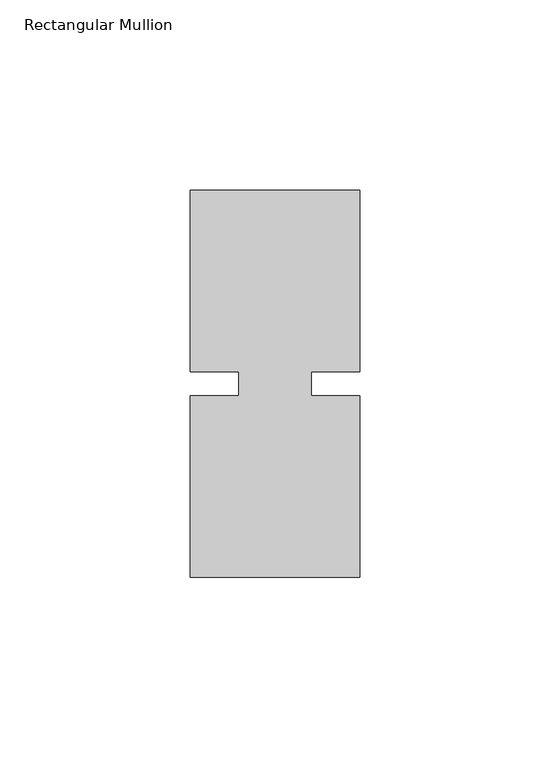
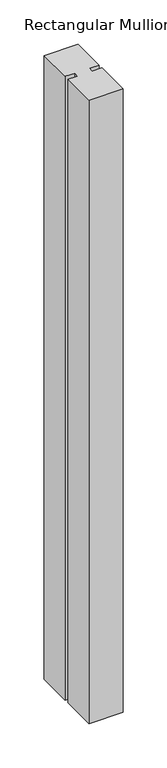
"""IFC4 building model written with IfcOpenShell, lengths in millimetres: member geometry, Rectangular Mullion."""

from ifc_helpers import new_model, si_unit, frame, origin, place, context, project, spatial, polyline, outline, extrude, source, transform, mapped, element, save


def rectangular_mullion_cbd4a87e(model_context):
    return source(origin(), model_context, "Body", "SweptSolid", [
        extrude(outline(polyline([(26.5594027, 50.8), (26.5594027, 3.175), (13.8576322, 3.175), (13.8576322, -3.175), (26.5594027, -3.175), (26.5594027, -50.8), (-17.8905973, -50.8), (-17.8905973, -3.175), (-5.1905973, -3.175), (-5.1905973, 3.175), (-17.8905973, 3.175), (-17.8905973, 50.8), (26.5594027, 50.8)])), frame((0.0, 0.0, -860.425), z_axis=(0.0, 0.0, 1.0), x_axis=(1.0, 0.0, 0.0)), (0.0, 0.0, 1.0), 860.425),
    ])


if __name__ == "__main__":
    model = new_model("IFC4")
    model_context = context("Model", 3, world=origin())
    ifc_project = project(units=[si_unit("LENGTHUNIT", "METRE", prefix="MILLI")], contexts=[model_context])
    site = spatial("IfcSite", under=ifc_project)
    building = spatial("IfcBuilding", under=site)
    placement = place(None, origin())
    rectangular_mullion_shape = rectangular_mullion_cbd4a87e(model_context)
    element("IfcMember", 1, ObjectType="Rectangular Mullion", at=placement, inside=building, context=model_context, shape_type="MappedRepresentation", body=[
        mapped(rectangular_mullion_shape, transform((0.0, 0.0, 0.0), x_axis=(1.0, 0.0, 0.0), y_axis=(0.0, 1.0, 0.0), z_axis=(0.0, 0.0, 1.0))),
    ])
    save(model, "model.ifc")
